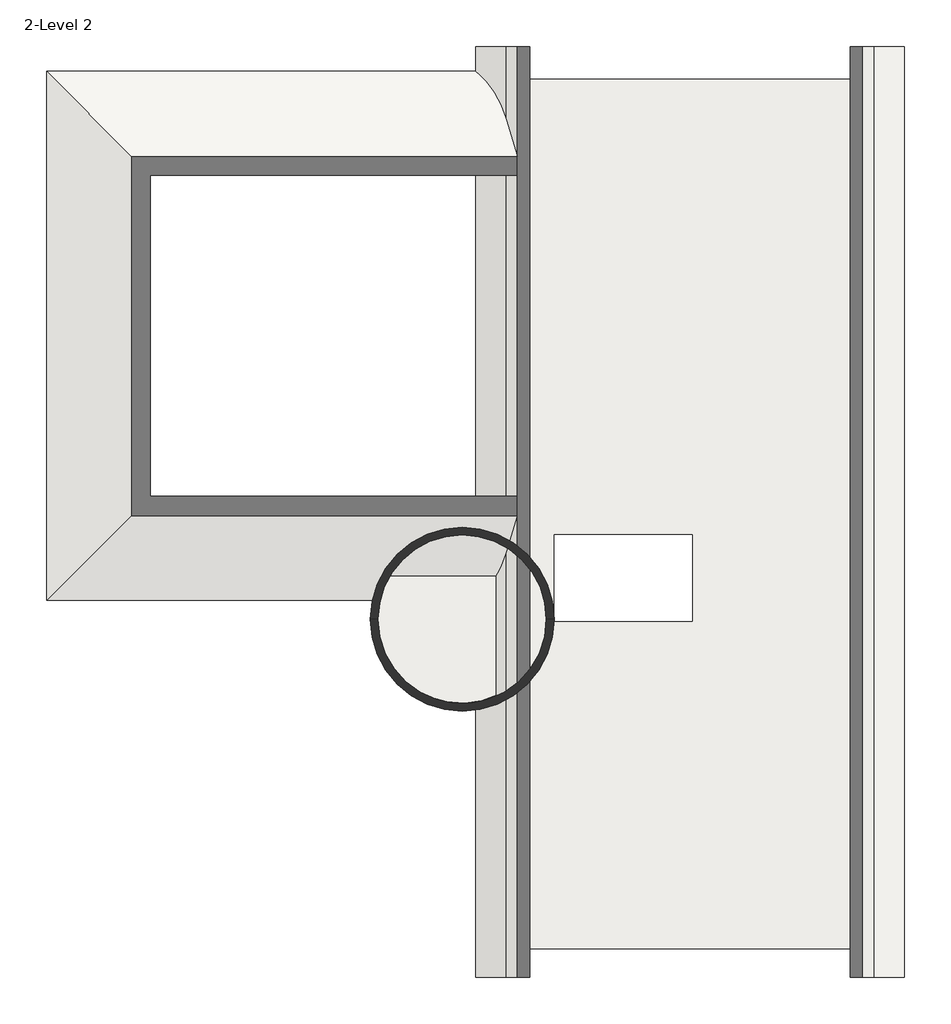
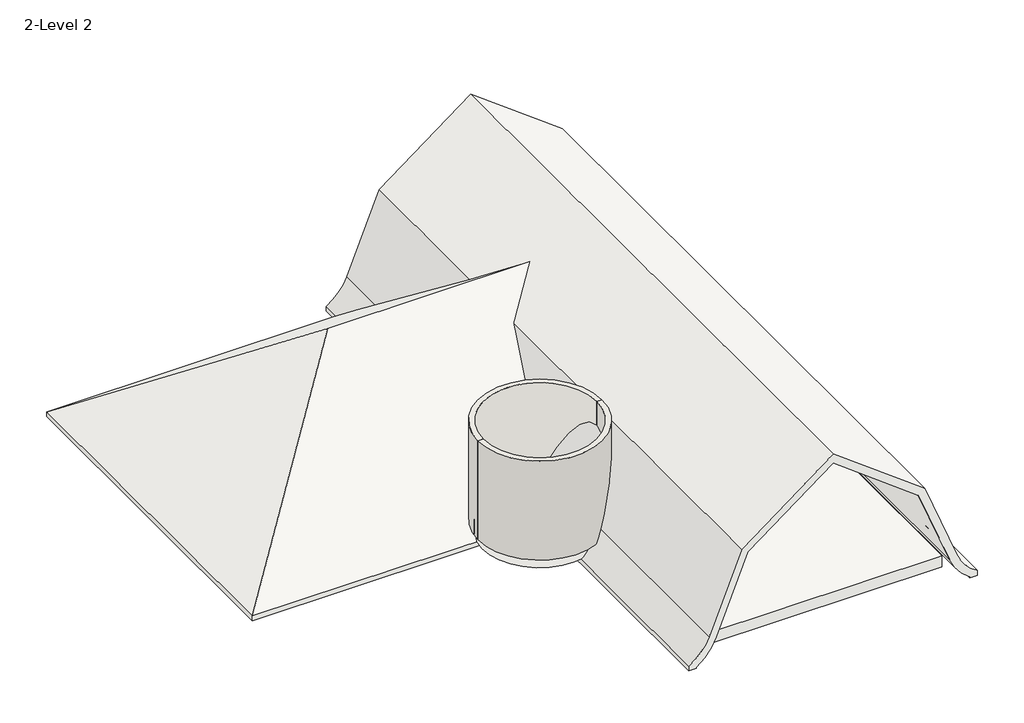
# One storey: 2 roofs, 2 walls, 1 slab.
"""IFC4 building model written with IfcOpenShell, lengths in millimetres."""

from ifc_helpers import new_model, si_unit, point, frame, frame_2d, origin, place, context, project, spatial, polyline, circle_curve, ellipse_curve, trimmed, segment, composite_curve, outline, extrude, element, save
from ifc_brep_helpers import plane_surface, cylinder_surface, advanced_brep

model = new_model("IFC4")

# Units and contexts
model_context = context("Model", 3, world=origin())
ifc_project = project(units=[si_unit("LENGTHUNIT", "METRE", prefix="MILLI")], contexts=[model_context])

# Site, building, storey
site = spatial("IfcSite", under=ifc_project)
building = spatial("IfcBuilding", under=site)
storey = spatial("IfcBuildingStorey", under=building, Name="2-Level 2", Elevation=4114.8)

# Roofs
placement = place(None, origin())
element("IfcRoof", 1, ObjectType="Generic - 12\"", at=placement, inside=storey, context=model_context, shape_type="SweptSolid", body=[
    extrude(outline(composite_curve([segment(polyline([(3429.0, 11601.2379827), (3632.2, 11601.2379827)]), True, "CONTINUOUS"), segment(trimmed(circle_curve(frame_2d((5294.2880993, 12593.7115768)), 1935.8565765), [point((3632.2, 11601.2379827))], [point((4575.175, 10796.3754827))], True, "CARTESIAN"), True, "CONTINUOUS"), segment(polyline([(4575.175, 10796.3754827), (7769.225, 9518.4379827), (10468.371875, 5919.5754827), (7769.225, 2320.7129827), (4575.175, 1042.7754827)]), True, "CONTINUOUS"), segment(trimmed(circle_curve(frame_2d((5294.2880993, -754.5606115)), 1935.8565765), [point((4575.175, 1042.7754827))], [point((3632.2, 237.9129827))], True, "CARTESIAN"), True, "CONTINUOUS"), segment(polyline([(3632.2, 237.9129827), (3429.0, 237.9129827), (3429.0, 542.7129827), (3467.3718133, 542.7129827)]), True, "CONTINUOUS"), segment(trimmed(circle_curve(frame_2d((5294.2880993, -754.5606115)), 2240.6565765), [point((3467.3718133, 542.7129827))], [point((4461.9508721, 1325.7654769))], False, "CARTESIAN"), True, "CONTINUOUS"), segment(polyline([(4461.9508721, 1325.7654769), (7576.659027, 2571.9583521), (10087.371875, 5919.5754827), (7576.659027, 9267.1926133), (4461.9508721, 10513.3854884)]), True, "CONTINUOUS"), segment(trimmed(circle_curve(frame_2d((5294.2880993, 12593.7115768)), 2240.6565765), [point((4461.9508721, 10513.3854884))], [point((3467.3718133, 11296.4379827))], False, "CARTESIAN"), True, "CONTINUOUS"), segment(polyline([(3467.3718133, 11296.4379827), (3429.0, 11296.4379827), (3429.0, 11601.2379827)]), True, "CONTINUOUS")], self_intersect=False)), frame((0.0, -13038.5175717, 0.0), z_axis=(0.0, 1.0, 0.0), x_axis=(0.0, 0.0, 1.0)), (0.0, 0.0, 1.0), 24688.8),
])
element("IfcRoof", 2, ObjectType="Generic - 12\"", at=placement, inside=storey, context=model_context, shape_type="AdvancedBrep", body=[
    advanced_brep(
    [(237.9129827, -2793.850905, 3429.0), (-10912.1578507, -2793.850905, 3429.0), (-4138.8245173, 3979.4824283, 8509.0), (3307.0796493, 3979.4824283, 8509.0), (2320.7129827, 2993.1157616, 7769.225), (1042.7754827, -1265.6175717, 4575.175), (237.9129827, -2522.9175717, 3632.2), (-10912.1578507, 10752.8157616, 3429.0), (237.9129827, 10752.8157616, 3429.0), (237.9129827, 10481.8824283, 3632.2), (1042.7754827, 9224.5824283, 4575.175), (2320.7129827, 4965.849095, 7769.225), (237.9129827, -3030.9175717, 3632.2), (1042.7754827, -1773.6175717, 4575.175), (2320.7129827, 2485.1157616, 7769.225), (3815.0796493, 3979.4824283, 8890.0), (-4138.8245173, 3979.4824283, 8890.0), (-11149.2245173, -3030.9175717, 3632.2), (237.9129827, 10989.8824283, 3632.2), (-11149.2245173, 10989.8824283, 3632.2), (2320.7129827, 5473.849095, 7769.225), (1042.7754827, 9732.5824283, 4575.175), (-11149.2245173, 10989.8824283, 3429.0), (237.9129827, 10989.8824283, 3429.0), (-11149.2245173, -3030.9175717, 3429.0), (237.9129827, -3030.9175717, 3429.0)],
    [
        (0, 1),
        (1, 2),
        (2, 3),
        (3, 4),
        (4, 5),
        (5, 6, ellipse_curve(frame((-754.5606115, -306.800106, 5294.2880993), z_axis=(0.0, 0.6000000000000006, -0.7999999999999996), x_axis=(0.0, 0.7999999999999996, 0.6000000000000008)), 3226.4276276, 1935.8565765)),
        (6, 0),
        (7, 8),
        (8, 9),
        (9, 10, ellipse_curve(frame((-754.5606115, 8265.7649626, 5294.2880993), z_axis=(0.0, -0.6000000000000023, -0.7999999999999983), x_axis=(0.0, 0.7999999999999983, -0.6000000000000023)), 3226.4276276, 1935.8565765)),
        (10, 11),
        (11, 3),
        (2, 7),
        (1, 7),
        (12, 13, ellipse_curve(frame((-754.5606115, -814.800106, 5294.2880993), z_axis=(0.0, -0.6000000000000006, 0.7999999999999996), x_axis=(0.0, 0.7999999999999996, 0.6000000000000008)), 3226.4276276, 1935.8565765)),
        (13, 14),
        (14, 15),
        (15, 16),
        (16, 17),
        (17, 12),
        (18, 19),
        (19, 16),
        (15, 20),
        (20, 21),
        (21, 18, ellipse_curve(frame((-754.5606115, 8773.7649626, 5294.2880993), z_axis=(0.0, 0.6000000000000023, 0.7999999999999983), x_axis=(0.0, 0.7999999999999983, -0.6000000000000023)), 3226.4276276, 1935.8565765)),
        (19, 17),
        (22, 19),
        (18, 23),
        (23, 22),
        (24, 17),
        (22, 24),
        (25, 12),
        (24, 25),
        (23, 8),
        (0, 25),
        (12, 6),
        (5, 13),
        (4, 14),
        (11, 20),
        (10, 21),
        (9, 18),
    ],
    [
        plane_surface(frame((-10912.1578507, -2793.850905, 3429.0), z_axis=(0.0, 0.6000000000000006, -0.7999999999999996), x_axis=(1.0, 0.0, 0.0))),
        plane_surface(frame((237.9129827, 10752.8157616, 3429.0), z_axis=(0.0, -0.6000000000000023, -0.7999999999999983), x_axis=(-1.0, 0.0, 0.0))),
        plane_surface(frame((-10912.1578507, 10752.8157616, 3429.0), z_axis=(0.6000000000000023, 0.0, -0.7999999999999983), x_axis=(0.0, -1.0, 0.0))),
        plane_surface(frame((-11149.2245173, -3030.9175717, 3632.2), z_axis=(0.0, -0.6000000000000006, 0.7999999999999996), x_axis=(1.0, 0.0, 0.0))),
        plane_surface(frame((237.9129827, 10989.8824283, 3632.2), z_axis=(0.0, 0.6000000000000023, 0.7999999999999983), x_axis=(-1.0, 0.0, 0.0))),
        plane_surface(frame((-11149.2245173, 10989.8824283, 3632.2), z_axis=(-0.6000000000000023, 0.0, 0.7999999999999983), x_axis=(0.0, -1.0, 0.0))),
        plane_surface(frame((-5455.6557673, 10989.8824283, 3429.0), z_axis=(0.0, 1.0, 0.0), x_axis=(-1.0, 0.0, 0.0))),
        plane_surface(frame((-11149.2245173, 3979.4824283, 3429.0), z_axis=(-1.0, 0.0, 0.0), x_axis=(0.0, -1.0, 0.0))),
        plane_surface(frame((-5455.6557673, -3030.9175717, 3429.0), z_axis=(0.0, -1.0, 0.0), x_axis=(1.0, 0.0, 0.0))),
        plane_surface(frame((237.9129827, 10989.8824283, 3429.0), z_axis=(0.0, 0.0, -1.0), x_axis=(-1.0, 0.0, 0.0))),
        cylinder_surface(frame((-754.5606115, 11650.2824283, 5294.2880993), z_axis=(0.0, 1.0, 0.0), x_axis=(1.0, 0.0, 0.0)), 1935.8565765),
        plane_surface(frame((2320.7129827, -13038.5175717, 7769.225), z_axis=(0.928444863082733, 0.0, -0.3714702359749503), x_axis=(0.0, 1.0, 0.0))),
        plane_surface(frame((5919.5754827, -13038.5175717, 10468.371875), z_axis=(0.6000000000000013, 0.0, -0.799999999999999), x_axis=(0.0, 1.0, 0.0))),
        plane_surface(frame((237.9129827, -13038.5175717, 3632.2), z_axis=(1.0, 0.0, 0.0), x_axis=(0.0, 1.0, 0.0))),
    ],
    [
        (0, [[1, 2, 3, 4, 5, 6, 7]]),
        (1, [[8, 9, 10, 11, 12, -3, 13]]),
        (2, [[-13, -2, 14]]),
        (3, [[15, 16, 17, 18, 19, 20]]),
        (4, [[21, 22, -18, 23, 24, 25]]),
        (5, [[26, -19, -22]]),
        (6, [[27, -21, 28, 29]]),
        (7, [[30, -26, -27, 31]]),
        (8, [[32, -20, -30, 33]]),
        (9, [[-33, -31, -29, 34, -8, -14, -1, 35]]),
        (10, [[-15, 36, -6, 37]]),
        (11, [[-16, -37, -5, 38]]),
        (12, [[-23, -17, -38, -4, -12, 39]]),
        (13, [[-32, -35, -7, -36]]),
        (11, [[-24, -39, -11, 40]]),
        (10, [[-25, -40, -10, 41]]),
        (13, [[-9, -34, -28, -41]]),
    ],
),
])

# Slab
element("IfcSlab", 3, ObjectType="Generic - 18\"", at=placement, inside=storey, context=model_context, shape_type="SweptSolid", body=[
    extrude(outline(composite_curve([segment(polyline([(10643.9754827, 10786.6824283), (10643.9754827, -12276.5175717), (1195.1754827, -12276.5175717), (1195.1754827, -5314.2343113)]), True, "CONTINUOUS"), segment(trimmed(circle_curve(frame_2d((-145.774573, -3525.836856)), 2235.288015), [point((1195.1754827, -5314.2343113))], [point((1245.9754827, -1776.6815478))], False, "CARTESIAN"), True, "CONTINUOUS"), segment(polyline([(1245.9754827, -1776.6815478), (1245.9754827, 10786.6824283), (10643.9754827, 10786.6824283)]), True, "CONTINUOUS")], self_intersect=False), holes=[polyline([(2312.7754827, -1303.4954354), (2312.7754827, -3589.4954354), (5970.1667559, -3589.4954354), (5970.1667559, -1303.4954354), (2312.7754827, -1303.4954354)])]), frame((0.0, 0.0, 3657.6), z_axis=(0.0, 0.0, 1.0), x_axis=(1.0, 0.0, 0.0)), (0.0, 0.0, 1.0), 457.2),
])

# Walls
element("IfcWall", 4, ObjectType="Generic - 8\"", at=placement, inside=storey, context=model_context, shape_type="SweptSolid", body=[
    extrude(outline(composite_curve([segment(polyline([(-2360.50402, -3538.6954354), (-2563.70402, -3538.6954354)]), True, "CONTINUOUS"), segment(trimmed(circle_curve(frame_2d((-125.30402, -3538.6954354)), 2438.4), [point((-2563.70402, -3538.6954354))], [point((2313.09598, -3538.6954354))], False, "CARTESIAN"), True, "CONTINUOUS"), segment(polyline([(2313.09598, -3538.6954354), (2109.89598, -3538.6954354)]), True, "CONTINUOUS"), segment(trimmed(circle_curve(frame_2d((-125.30402, -3538.6954354)), 2235.2), [point((2109.89598, -3538.6954354))], [point((-2360.50402, -3538.6954354))], True, "CARTESIAN"), True, "CONTINUOUS")], self_intersect=False)), frame((0.0, 0.0, 4114.8), z_axis=(0.0, 0.0, 1.0), x_axis=(1.0, 0.0, 0.0)), (0.0, 0.0, 1.0), 4114.8),
])
element("IfcWall", 5, ObjectType="Generic - 8\"", at=placement, inside=storey, context=model_context, shape_type="SweptSolid", body=[
    extrude(outline(composite_curve([segment(polyline([(2109.89598, -3538.6954354), (2313.09598, -3538.6954354)]), True, "CONTINUOUS"), segment(trimmed(circle_curve(frame_2d((-125.30402, -3538.6954354)), 2438.4), [point((2313.09598, -3538.6954354))], [point((-2563.70402, -3538.6954354))], False, "CARTESIAN"), True, "CONTINUOUS"), segment(polyline([(-2563.70402, -3538.6954354), (-2360.50402, -3538.6954354)]), True, "CONTINUOUS"), segment(trimmed(circle_curve(frame_2d((-125.30402, -3538.6954354)), 2235.2), [point((-2360.50402, -3538.6954354))], [point((2109.89598, -3538.6954354))], True, "CARTESIAN"), True, "CONTINUOUS")], self_intersect=False)), frame((0.0, 0.0, 4114.8), z_axis=(0.0, 0.0, 1.0), x_axis=(1.0, 0.0, 0.0)), (0.0, 0.0, 1.0), 4114.8),
])

save(model, "model.ifc")
